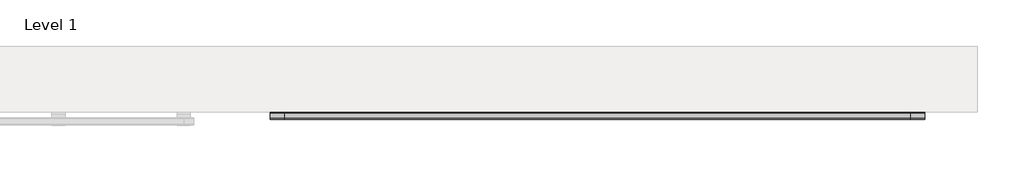
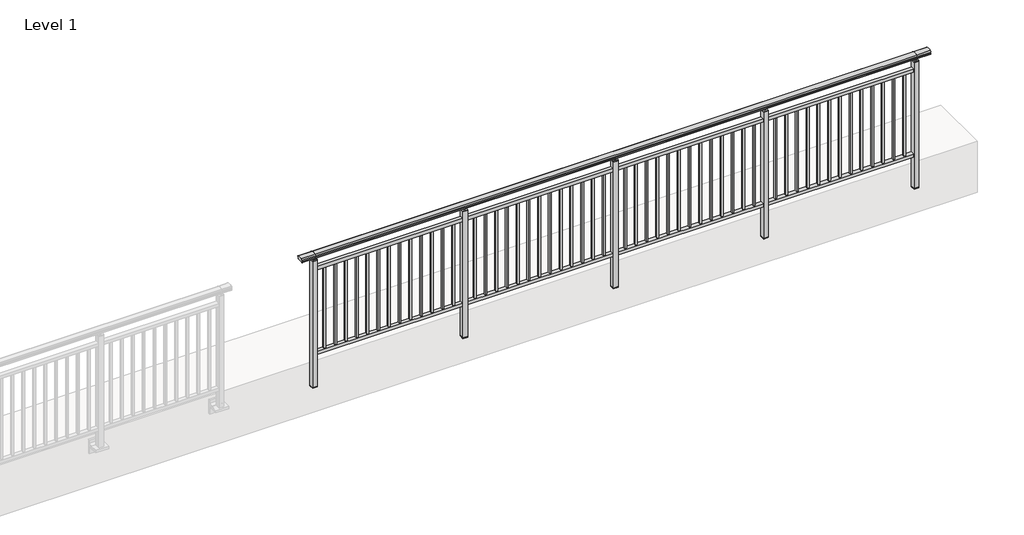
# One storey, part 3 of 64: 1 railing.
"""IFC4 building model written with IfcOpenShell, lengths in millimetres."""

from ifc_helpers import new_model, si_unit, frame, origin, place, context, project, spatial, polyline, circle_curve, outline, extrude, element, save
from ifc_brep_helpers import plane_surface, cylinder_surface, revolved_surface, advanced_brep

model = new_model("IFC4")

# Units and contexts
model_context = context("Model", 3, world=origin())
ifc_project = project(units=[si_unit("LENGTHUNIT", "METRE", prefix="MILLI")], contexts=[model_context])

# Site, building, storey
site = spatial("IfcSite", under=ifc_project)
building = spatial("IfcBuilding", under=site)
storey = spatial("IfcBuildingStorey", under=building, Name="Level 1", Elevation=0.0)

# Railing
placement = place(None, origin())
element("IfcRailing", 1, at=placement, inside=storey, context=model_context, shape_type="SolidModel", body=[
    advanced_brep(
    [(19372.5, -107.1366244, 1095.6691182), (19372.5, -102.3153172, 1081.1334092), (19372.5, -103.2586256, 1069.2539035), (19372.5, -101.3635823, 1061.4863007), (19372.5, -103.0105201, 1060.384124), (19372.5, -103.0105201, 1062.0), (19372.5, -161.6201142, 1062.0), (19372.5, -161.6201142, 1060.384124), (19372.5, -163.267052, 1061.4863007), (19372.5, -161.3720088, 1069.2539035), (19372.5, -162.3153172, 1081.1334092), (19372.5, -157.49401, 1095.6691182), (25227.5, -107.1366244, 1095.6691182), (25227.5, -157.49401, 1095.6691182), (25227.5, -162.3153172, 1081.1334092), (25227.5, -161.3720088, 1069.2539035), (25227.5, -163.267052, 1061.4863007), (25227.5, -161.6201142, 1060.384124), (25227.5, -161.6201142, 1062.0), (25227.5, -103.0105201, 1062.0), (25227.5, -103.0105201, 1060.384124), (25227.5, -101.3635823, 1061.4863007), (25227.5, -103.2586256, 1069.2539035), (25227.5, -102.3153172, 1081.1334092), (19500.0, -107.1366244, 1095.6691182), (19500.0, -102.3153172, 1081.1334092), (19500.0, -103.2586256, 1069.2539035), (19500.0, -101.3635823, 1061.4863007), (19500.0, -103.0105201, 1060.384124), (19500.0, -103.0105201, 1062.0), (19500.0, -161.6201142, 1062.0), (19500.0, -161.6201142, 1060.384124), (19500.0, -163.267052, 1061.4863007), (19500.0, -161.3720088, 1069.2539035), (19500.0, -162.3153172, 1081.1334092), (19500.0, -157.49401, 1095.6691182), (25100.0, -107.1366244, 1095.6691182), (25100.0, -102.3153172, 1081.1334092), (25100.0, -103.2586256, 1069.2539035), (25100.0, -101.3635823, 1061.4863007), (25100.0, -103.0105201, 1060.384124), (25100.0, -103.0105201, 1062.0), (25100.0, -161.6201142, 1062.0), (25100.0, -161.6201142, 1060.384124), (25100.0, -163.267052, 1061.4863007), (25100.0, -161.3720088, 1069.2539035), (25100.0, -162.3153172, 1081.1334092), (25100.0, -157.49401, 1095.6691182)],
    [
        (0, 1, circle_curve(frame((19372.5, -110.3776155, 1086.526686), z_axis=(-1.0, 0.0, 0.0), x_axis=(0.0, -1.0, 0.0)), 9.6999015)),
        (1, 2, circle_curve(frame((19372.5, -84.7747455, 1073.7633709), z_axis=(1.0, 0.0, 0.0), x_axis=(0.0, -1.0, 0.0)), 19.0260117)),
        (2, 3),
        (3, 4, circle_curve(frame((19372.5, -102.2227927, 1060.9886194), z_axis=(-1.0, 0.0, 0.0), x_axis=(0.0, -1.0, 0.0)), 0.9929396)),
        (4, 5),
        (5, 6),
        (6, 7),
        (7, 8, circle_curve(frame((19372.5, -162.4078416, 1060.9886194), z_axis=(-1.0, 0.0, 0.0), x_axis=(0.0, 1.0, 0.0)), 0.9929396)),
        (8, 9),
        (9, 10, circle_curve(frame((19372.5, -179.8558889, 1073.7633709), z_axis=(1.0, 0.0, 0.0), x_axis=(0.0, 1.0, 0.0)), 19.0260117)),
        (10, 11, circle_curve(frame((19372.5, -154.2530188, 1086.526686), z_axis=(-1.0, 0.0, 0.0), x_axis=(0.0, 1.0, 0.0)), 9.6999015)),
        (11, 0, circle_curve(frame((19372.5, -132.3153172, 1024.6431628), z_axis=(-1.0, 0.0, 0.0), x_axis=(0.0, 1.0, 0.0)), 75.3568372)),
        (12, 13, circle_curve(frame((25227.5, -132.3153172, 1024.6431628), z_axis=(1.0, 0.0, 0.0), x_axis=(0.0, 1.0, 0.0)), 75.3568372)),
        (13, 14, circle_curve(frame((25227.5, -154.2530188, 1086.526686), z_axis=(1.0, 0.0, 0.0), x_axis=(0.0, 1.0, 0.0)), 9.6999015)),
        (14, 15, circle_curve(frame((25227.5, -179.8558889, 1073.7633709), z_axis=(-1.0, 0.0, 0.0), x_axis=(0.0, 1.0, 0.0)), 19.0260117)),
        (15, 16),
        (16, 17, circle_curve(frame((25227.5, -162.4078416, 1060.9886194), z_axis=(1.0, 0.0, 0.0), x_axis=(0.0, 1.0, 0.0)), 0.9929396)),
        (17, 18),
        (18, 19),
        (19, 20),
        (20, 21, circle_curve(frame((25227.5, -102.2227927, 1060.9886194), z_axis=(1.0, 0.0, 0.0), x_axis=(0.0, -1.0, 0.0)), 0.9929396)),
        (21, 22),
        (22, 23, circle_curve(frame((25227.5, -84.7747455, 1073.7633709), z_axis=(-1.0, 0.0, 0.0), x_axis=(0.0, -1.0, 0.0)), 19.0260117)),
        (23, 12, circle_curve(frame((25227.5, -110.3776155, 1086.526686), z_axis=(1.0, 0.0, 0.0), x_axis=(0.0, -1.0, 0.0)), 9.6999015)),
        (0, 24),
        (24, 25, circle_curve(frame((19500.0, -110.3776155, 1086.526686), z_axis=(-1.0, 0.0, 0.0), x_axis=(0.0, -1.0, 0.0)), 9.6999015)),
        (25, 1),
        (25, 26, circle_curve(frame((19500.0, -84.7747455, 1073.7633709), z_axis=(1.0, 0.0, 0.0), x_axis=(0.0, -1.0, 0.0)), 19.0260117)),
        (26, 2),
        (26, 27),
        (27, 3),
        (27, 28, circle_curve(frame((19500.0, -102.2227927, 1060.9886194), z_axis=(-1.0, 0.0, 0.0), x_axis=(0.0, -1.0, 0.0)), 0.9929396)),
        (28, 4),
        (28, 29),
        (29, 5),
        (29, 30),
        (30, 6),
        (30, 31),
        (31, 7),
        (31, 32, circle_curve(frame((19500.0, -162.4078416, 1060.9886194), z_axis=(-1.0, 0.0, 0.0), x_axis=(0.0, 1.0, 0.0)), 0.9929396)),
        (32, 8),
        (32, 33),
        (33, 9),
        (33, 34, circle_curve(frame((19500.0, -179.8558889, 1073.7633709), z_axis=(1.0, 0.0, 0.0), x_axis=(0.0, 1.0, 0.0)), 19.0260117)),
        (34, 10),
        (34, 35, circle_curve(frame((19500.0, -154.2530188, 1086.526686), z_axis=(-1.0, 0.0, 0.0), x_axis=(0.0, 1.0, 0.0)), 9.6999015)),
        (35, 11),
        (35, 24, circle_curve(frame((19500.0, -132.3153172, 1024.6431628), z_axis=(-1.0, 0.0, 0.0), x_axis=(0.0, 1.0, 0.0)), 75.3568372)),
        (24, 36),
        (36, 37, circle_curve(frame((25100.0, -110.3776155, 1086.526686), z_axis=(-1.0, 0.0, 0.0), x_axis=(0.0, -1.0, 0.0)), 9.6999015)),
        (37, 25),
        (37, 38, circle_curve(frame((25100.0, -84.7747455, 1073.7633709), z_axis=(1.0, 0.0, 0.0), x_axis=(0.0, -1.0, 0.0)), 19.0260117)),
        (38, 26),
        (38, 39),
        (39, 27),
        (39, 40, circle_curve(frame((25100.0, -102.2227927, 1060.9886194), z_axis=(-1.0, 0.0, 0.0), x_axis=(0.0, -1.0, 0.0)), 0.9929396)),
        (40, 28),
        (40, 41),
        (41, 29),
        (41, 42),
        (42, 30),
        (42, 43),
        (43, 31),
        (43, 44, circle_curve(frame((25100.0, -162.4078416, 1060.9886194), z_axis=(-1.0, 0.0, 0.0), x_axis=(0.0, 1.0, 0.0)), 0.9929396)),
        (44, 32),
        (44, 45),
        (45, 33),
        (45, 46, circle_curve(frame((25100.0, -179.8558889, 1073.7633709), z_axis=(1.0, 0.0, 0.0), x_axis=(0.0, 1.0, 0.0)), 19.0260117)),
        (46, 34),
        (46, 47, circle_curve(frame((25100.0, -154.2530188, 1086.526686), z_axis=(-1.0, 0.0, 0.0), x_axis=(0.0, 1.0, 0.0)), 9.6999015)),
        (47, 35),
        (47, 36, circle_curve(frame((25100.0, -132.3153172, 1024.6431628), z_axis=(-1.0, 0.0, 0.0), x_axis=(0.0, 1.0, 0.0)), 75.3568372)),
        (36, 12),
        (23, 37),
        (22, 38),
        (21, 39),
        (20, 40),
        (19, 41),
        (18, 42),
        (17, 43),
        (16, 44),
        (15, 45),
        (14, 46),
        (13, 47),
    ],
    [
        plane_surface(frame((19372.5, -132.3153172, 1100.0), z_axis=(-1.0, 0.0, 0.0), x_axis=(0.0, 1.0, 0.0))),
        plane_surface(frame((25227.5, -132.3153172, 1100.0), z_axis=(1.0, 0.0, 0.0), x_axis=(0.0, 1.0, 0.0))),
        cylinder_surface(frame((19372.5, -110.3776155, 1086.526686), z_axis=(-1.0, 0.0, 0.0), x_axis=(0.0, -1.0, 0.0)), 9.6999015),
        revolved_surface(polyline([(19500.0, -103.80075719999999, 1073.7633709), (19372.5, -103.80075719999999, 1073.7633709)]), (19372.5, -84.7747455, 1073.7633709), (1.0, 0.0, 0.0)),
        plane_surface(frame((19372.5, -103.2586256, 1069.2539035), z_axis=(0.0, 0.9715057689301543, 0.2370159086125439), x_axis=(1.0, 0.0, 0.0))),
        cylinder_surface(frame((19372.5, -102.2227927, 1060.9886194), z_axis=(-1.0, 0.0, 0.0), x_axis=(0.0, -1.0, 0.0)), 0.9929396),
        plane_surface(frame((19372.5, -103.0105201, 1060.384124), z_axis=(0.0, -1.0, 0.0), x_axis=(1.0, 0.0, 0.0))),
        plane_surface(frame((19372.5, -103.0105201, 1062.0), z_axis=(0.0, 0.0, -1.0), x_axis=(1.0, 0.0, 0.0))),
        plane_surface(frame((19372.5, -161.6201142, 1062.0), z_axis=(0.0, 1.0, 0.0), x_axis=(1.0, 0.0, 0.0))),
        cylinder_surface(frame((19372.5, -162.4078416, 1060.9886194), z_axis=(-1.0, 0.0, 0.0), x_axis=(0.0, 1.0, 0.0)), 0.9929396),
        plane_surface(frame((19372.5, -163.267052, 1061.4863007), z_axis=(0.0, -0.9715057689301543, 0.2370159086125439), x_axis=(1.0, 0.0, 0.0))),
        revolved_surface(polyline([(19500.0, -160.8298772, 1073.7633709), (19372.5, -160.8298772, 1073.7633709)]), (19372.5, -179.8558889, 1073.7633709), (1.0, 0.0, 0.0)),
        cylinder_surface(frame((19372.5, -154.2530188, 1086.526686), z_axis=(-1.0, 0.0, 0.0), x_axis=(0.0, 1.0, 0.0)), 9.6999015),
        cylinder_surface(frame((19372.5, -132.3153172, 1024.6431628), z_axis=(-1.0, 0.0, 0.0), x_axis=(0.0, 1.0, 0.0)), 75.3568372),
        cylinder_surface(frame((19500.0, -110.3776155, 1086.526686), z_axis=(-1.0, 0.0, 0.0), x_axis=(0.0, -1.0, 0.0)), 9.6999015),
        revolved_surface(polyline([(25100.0, -103.80075719999999, 1073.7633709), (19500.0, -103.80075719999999, 1073.7633709)]), (19500.0, -84.7747455, 1073.7633709), (1.0, 0.0, 0.0)),
        plane_surface(frame((19500.0, -103.2586256, 1069.2539035), z_axis=(0.0, 0.9715057689301543, 0.2370159086125439), x_axis=(1.0, 0.0, 0.0))),
        cylinder_surface(frame((19500.0, -102.2227927, 1060.9886194), z_axis=(-1.0, 0.0, 0.0), x_axis=(0.0, -1.0, 0.0)), 0.9929396),
        plane_surface(frame((19500.0, -103.0105201, 1060.384124), z_axis=(0.0, -1.0, 0.0), x_axis=(1.0, 0.0, 0.0))),
        plane_surface(frame((19500.0, -103.0105201, 1062.0), z_axis=(0.0, 0.0, -1.0), x_axis=(1.0, 0.0, 0.0))),
        plane_surface(frame((19500.0, -161.6201142, 1062.0), z_axis=(0.0, 1.0, 0.0), x_axis=(1.0, 0.0, 0.0))),
        cylinder_surface(frame((19500.0, -162.4078416, 1060.9886194), z_axis=(-1.0, 0.0, 0.0), x_axis=(0.0, 1.0, 0.0)), 0.9929396),
        plane_surface(frame((19500.0, -163.267052, 1061.4863007), z_axis=(0.0, -0.9715057689301543, 0.2370159086125439), x_axis=(1.0, 0.0, 0.0))),
        revolved_surface(polyline([(25100.0, -160.8298772, 1073.7633709), (19500.0, -160.8298772, 1073.7633709)]), (19500.0, -179.8558889, 1073.7633709), (1.0, 0.0, 0.0)),
        cylinder_surface(frame((19500.0, -154.2530188, 1086.526686), z_axis=(-1.0, 0.0, 0.0), x_axis=(0.0, 1.0, 0.0)), 9.6999015),
        cylinder_surface(frame((19500.0, -132.3153172, 1024.6431628), z_axis=(-1.0, 0.0, 0.0), x_axis=(0.0, 1.0, 0.0)), 75.3568372),
        cylinder_surface(frame((25100.0, -110.3776155, 1086.526686), z_axis=(-1.0, 0.0, 0.0), x_axis=(0.0, -1.0, 0.0)), 9.6999015),
        revolved_surface(polyline([(25227.5, -103.80075719999999, 1073.7633709), (25100.0, -103.80075719999999, 1073.7633709)]), (25100.0, -84.7747455, 1073.7633709), (1.0, 0.0, 0.0)),
        plane_surface(frame((25100.0, -103.2586256, 1069.2539035), z_axis=(0.0, 0.9715057689301543, 0.2370159086125439), x_axis=(1.0, 0.0, 0.0))),
        cylinder_surface(frame((25100.0, -102.2227927, 1060.9886194), z_axis=(-1.0, 0.0, 0.0), x_axis=(0.0, -1.0, 0.0)), 0.9929396),
        plane_surface(frame((25100.0, -103.0105201, 1060.384124), z_axis=(0.0, -1.0, 0.0), x_axis=(1.0, 0.0, 0.0))),
        plane_surface(frame((25100.0, -103.0105201, 1062.0), z_axis=(0.0, 0.0, -1.0), x_axis=(1.0, 0.0, 0.0))),
        plane_surface(frame((25100.0, -161.6201142, 1062.0), z_axis=(0.0, 1.0, 0.0), x_axis=(1.0, 0.0, 0.0))),
        cylinder_surface(frame((25100.0, -162.4078416, 1060.9886194), z_axis=(-1.0, 0.0, 0.0), x_axis=(0.0, 1.0, 0.0)), 0.9929396),
        plane_surface(frame((25100.0, -163.267052, 1061.4863007), z_axis=(0.0, -0.9715057689301543, 0.2370159086125439), x_axis=(1.0, 0.0, 0.0))),
        revolved_surface(polyline([(25227.5, -160.8298772, 1073.7633709), (25100.0, -160.8298772, 1073.7633709)]), (25100.0, -179.8558889, 1073.7633709), (1.0, 0.0, 0.0)),
        cylinder_surface(frame((25100.0, -154.2530188, 1086.526686), z_axis=(-1.0, 0.0, 0.0), x_axis=(0.0, 1.0, 0.0)), 9.6999015),
        cylinder_surface(frame((25100.0, -132.3153172, 1024.6431628), z_axis=(-1.0, 0.0, 0.0), x_axis=(0.0, 1.0, 0.0)), 75.3568372),
    ],
    [
        (0, [[1, 2, 3, 4, 5, 6, 7, 8, 9, 10, 11, 12]]),
        (1, [[13, 14, 15, 16, 17, 18, 19, 20, 21, 22, 23, 24]]),
        (2, [[-1, 25, 26, 27]]),
        (3, [[-2, -27, 28, 29]]),
        (4, [[-3, -29, 30, 31]]),
        (5, [[-4, -31, 32, 33]]),
        (6, [[-5, -33, 34, 35]]),
        (7, [[-6, -35, 36, 37]]),
        (8, [[-7, -37, 38, 39]]),
        (9, [[-8, -39, 40, 41]]),
        (10, [[-9, -41, 42, 43]]),
        (11, [[-10, -43, 44, 45]]),
        (12, [[-11, -45, 46, 47]]),
        (13, [[-12, -47, 48, -25]]),
        (14, [[-26, 49, 50, 51]]),
        (15, [[-28, -51, 52, 53]]),
        (16, [[-30, -53, 54, 55]]),
        (17, [[-32, -55, 56, 57]]),
        (18, [[-34, -57, 58, 59]]),
        (19, [[-36, -59, 60, 61]]),
        (20, [[-38, -61, 62, 63]]),
        (21, [[-40, -63, 64, 65]]),
        (22, [[-42, -65, 66, 67]]),
        (23, [[-44, -67, 68, 69]]),
        (24, [[-46, -69, 70, 71]]),
        (25, [[-48, -71, 72, -49]]),
        (26, [[-50, 73, -24, 74]]),
        (27, [[-52, -74, -23, 75]]),
        (28, [[-54, -75, -22, 76]]),
        (29, [[-56, -76, -21, 77]]),
        (30, [[-58, -77, -20, 78]]),
        (31, [[-60, -78, -19, 79]]),
        (32, [[-62, -79, -18, 80]]),
        (33, [[-64, -80, -17, 81]]),
        (34, [[-66, -81, -16, 82]]),
        (35, [[-68, -82, -15, 83]]),
        (36, [[-70, -83, -14, 84]]),
        (37, [[-72, -84, -13, -73]]),
    ],
),
    extrude(outline(polyline([(19500.0, -149.8153172), (19500.0, -114.8153172), (25100.0, -114.8153172), (25100.0, -149.8153172), (19500.0, -149.8153172)])), frame((0.0, 0.0, 930.0), z_axis=(0.0, 0.0, 1.0), x_axis=(1.0, 0.0, 0.0)), (0.0, 0.0, 1.0), 30.0),
    extrude(outline(polyline([(19500.0, -149.8153172), (19500.0, -114.8153172), (25100.0, -114.8153172), (25100.0, -149.8153172), (19500.0, -149.8153172)])), frame((0.0, 0.0, 95.0), z_axis=(0.0, 0.0, 1.0), x_axis=(1.0, 0.0, 0.0)), (0.0, 0.0, 1.0), 30.0),
    extrude(outline(polyline([(25008.5, -140.8153172), (24991.5, -140.8153172), (24991.5, -123.8153172), (25008.5, -123.8153172), (25008.5, -140.8153172)])), frame((0.0, 0.0, 125.0), z_axis=(0.0, 0.0, 1.0), x_axis=(1.0, 0.0, 0.0)), (0.0, 0.0, 1.0), 805.0),
    extrude(outline(polyline([(24908.5, -140.8153172), (24891.5, -140.8153172), (24891.5, -123.8153172), (24908.5, -123.8153172), (24908.5, -140.8153172)])), frame((0.0, 0.0, 125.0), z_axis=(0.0, 0.0, 1.0), x_axis=(1.0, 0.0, 0.0)), (0.0, 0.0, 1.0), 805.0),
    extrude(outline(polyline([(24808.5, -140.8153172), (24791.5, -140.8153172), (24791.5, -123.8153172), (24808.5, -123.8153172), (24808.5, -140.8153172)])), frame((0.0, 0.0, 125.0), z_axis=(0.0, 0.0, 1.0), x_axis=(1.0, 0.0, 0.0)), (0.0, 0.0, 1.0), 805.0),
    extrude(outline(polyline([(24708.5, -140.8153172), (24691.5, -140.8153172), (24691.5, -123.8153172), (24708.5, -123.8153172), (24708.5, -140.8153172)])), frame((0.0, 0.0, 125.0), z_axis=(0.0, 0.0, 1.0), x_axis=(1.0, 0.0, 0.0)), (0.0, 0.0, 1.0), 805.0),
    extrude(outline(polyline([(24608.5, -140.8153172), (24591.5, -140.8153172), (24591.5, -123.8153172), (24608.5, -123.8153172), (24608.5, -140.8153172)])), frame((0.0, 0.0, 125.0), z_axis=(0.0, 0.0, 1.0), x_axis=(1.0, 0.0, 0.0)), (0.0, 0.0, 1.0), 805.0),
    extrude(outline(polyline([(24508.5, -140.8153172), (24491.5, -140.8153172), (24491.5, -123.8153172), (24508.5, -123.8153172), (24508.5, -140.8153172)])), frame((0.0, 0.0, 125.0), z_axis=(0.0, 0.0, 1.0), x_axis=(1.0, 0.0, 0.0)), (0.0, 0.0, 1.0), 805.0),
    extrude(outline(polyline([(24408.5, -140.8153172), (24391.5, -140.8153172), (24391.5, -123.8153172), (24408.5, -123.8153172), (24408.5, -140.8153172)])), frame((0.0, 0.0, 125.0), z_axis=(0.0, 0.0, 1.0), x_axis=(1.0, 0.0, 0.0)), (0.0, 0.0, 1.0), 805.0),
    extrude(outline(polyline([(24308.5, -140.8153172), (24291.5, -140.8153172), (24291.5, -123.8153172), (24308.5, -123.8153172), (24308.5, -140.8153172)])), frame((0.0, 0.0, 125.0), z_axis=(0.0, 0.0, 1.0), x_axis=(1.0, 0.0, 0.0)), (0.0, 0.0, 1.0), 805.0),
    extrude(outline(polyline([(24208.5, -140.8153172), (24191.5, -140.8153172), (24191.5, -123.8153172), (24208.5, -123.8153172), (24208.5, -140.8153172)])), frame((0.0, 0.0, 125.0), z_axis=(0.0, 0.0, 1.0), x_axis=(1.0, 0.0, 0.0)), (0.0, 0.0, 1.0), 805.0),
    extrude(outline(polyline([(24108.5, -140.8153172), (24091.5, -140.8153172), (24091.5, -123.8153172), (24108.5, -123.8153172), (24108.5, -140.8153172)])), frame((0.0, 0.0, 125.0), z_axis=(0.0, 0.0, 1.0), x_axis=(1.0, 0.0, 0.0)), (0.0, 0.0, 1.0), 805.0),
    extrude(outline(polyline([(24008.5, -140.8153172), (23991.5, -140.8153172), (23991.5, -123.8153172), (24008.5, -123.8153172), (24008.5, -140.8153172)])), frame((0.0, 0.0, 125.0), z_axis=(0.0, 0.0, 1.0), x_axis=(1.0, 0.0, 0.0)), (0.0, 0.0, 1.0), 805.0),
    extrude(outline(polyline([(23908.5, -140.8153172), (23891.5, -140.8153172), (23891.5, -123.8153172), (23908.5, -123.8153172), (23908.5, -140.8153172)])), frame((0.0, 0.0, 125.0), z_axis=(0.0, 0.0, 1.0), x_axis=(1.0, 0.0, 0.0)), (0.0, 0.0, 1.0), 805.0),
    extrude(outline(polyline([(23808.5, -140.8153172), (23791.5, -140.8153172), (23791.5, -123.8153172), (23808.5, -123.8153172), (23808.5, -140.8153172)])), frame((0.0, 0.0, 125.0), z_axis=(0.0, 0.0, 1.0), x_axis=(1.0, 0.0, 0.0)), (0.0, 0.0, 1.0), 805.0),
    extrude(outline(polyline([(23722.5, -109.8153172), (23722.5, -154.8153172), (23677.5, -154.8153172), (23677.5, -109.8153172), (23722.5, -109.8153172)])), frame((0.0, 0.0, 1027.0), z_axis=(0.0, 0.0, 1.0), x_axis=(1.0, 0.0, 0.0)), (0.0, 0.0, 1.0), 8.0),
    extrude(outline(polyline([(23722.5, -109.8153172), (23722.5, -154.8153172), (23677.5, -154.8153172), (23677.5, -109.8153172), (23722.5, -109.8153172)])), frame((0.0, 0.0, -212.0), z_axis=(0.0, 0.0, 1.0), x_axis=(1.0, 0.0, 0.0)), (0.0, 0.0, 1.0), 1239.0),
    extrude(outline(polyline([(23710.0, -122.3153172), (23710.0, -142.3153172), (23690.0, -142.3153172), (23690.0, -122.3153172), (23710.0, -122.3153172)])), frame((0.0, 0.0, 1035.0), z_axis=(0.0, 0.0, 1.0), x_axis=(1.0, 0.0, 0.0)), (0.0, 0.0, 1.0), 20.0),
    extrude(outline(polyline([(23722.5, -109.8153172), (23722.5, -154.8153172), (23677.5, -154.8153172), (23677.5, -109.8153172), (23722.5, -109.8153172)])), frame((0.0, 0.0, -220.0), z_axis=(0.0, 0.0, 1.0), x_axis=(1.0, 0.0, 0.0)), (0.0, 0.0, 1.0), 8.0),
    extrude(outline(polyline([(23608.5, -140.8153172), (23591.5, -140.8153172), (23591.5, -123.8153172), (23608.5, -123.8153172), (23608.5, -140.8153172)])), frame((0.0, 0.0, 125.0), z_axis=(0.0, 0.0, 1.0), x_axis=(1.0, 0.0, 0.0)), (0.0, 0.0, 1.0), 805.0),
    extrude(outline(polyline([(23508.5, -140.8153172), (23491.5, -140.8153172), (23491.5, -123.8153172), (23508.5, -123.8153172), (23508.5, -140.8153172)])), frame((0.0, 0.0, 125.0), z_axis=(0.0, 0.0, 1.0), x_axis=(1.0, 0.0, 0.0)), (0.0, 0.0, 1.0), 805.0),
    extrude(outline(polyline([(23408.5, -140.8153172), (23391.5, -140.8153172), (23391.5, -123.8153172), (23408.5, -123.8153172), (23408.5, -140.8153172)])), frame((0.0, 0.0, 125.0), z_axis=(0.0, 0.0, 1.0), x_axis=(1.0, 0.0, 0.0)), (0.0, 0.0, 1.0), 805.0),
    extrude(outline(polyline([(23308.5, -140.8153172), (23291.5, -140.8153172), (23291.5, -123.8153172), (23308.5, -123.8153172), (23308.5, -140.8153172)])), frame((0.0, 0.0, 125.0), z_axis=(0.0, 0.0, 1.0), x_axis=(1.0, 0.0, 0.0)), (0.0, 0.0, 1.0), 805.0),
    extrude(outline(polyline([(23208.5, -140.8153172), (23191.5, -140.8153172), (23191.5, -123.8153172), (23208.5, -123.8153172), (23208.5, -140.8153172)])), frame((0.0, 0.0, 125.0), z_axis=(0.0, 0.0, 1.0), x_axis=(1.0, 0.0, 0.0)), (0.0, 0.0, 1.0), 805.0),
    extrude(outline(polyline([(23108.5, -140.8153172), (23091.5, -140.8153172), (23091.5, -123.8153172), (23108.5, -123.8153172), (23108.5, -140.8153172)])), frame((0.0, 0.0, 125.0), z_axis=(0.0, 0.0, 1.0), x_axis=(1.0, 0.0, 0.0)), (0.0, 0.0, 1.0), 805.0),
    extrude(outline(polyline([(23008.5, -140.8153172), (22991.5, -140.8153172), (22991.5, -123.8153172), (23008.5, -123.8153172), (23008.5, -140.8153172)])), frame((0.0, 0.0, 125.0), z_axis=(0.0, 0.0, 1.0), x_axis=(1.0, 0.0, 0.0)), (0.0, 0.0, 1.0), 805.0),
    extrude(outline(polyline([(22908.5, -140.8153172), (22891.5, -140.8153172), (22891.5, -123.8153172), (22908.5, -123.8153172), (22908.5, -140.8153172)])), frame((0.0, 0.0, 125.0), z_axis=(0.0, 0.0, 1.0), x_axis=(1.0, 0.0, 0.0)), (0.0, 0.0, 1.0), 805.0),
    extrude(outline(polyline([(22808.5, -140.8153172), (22791.5, -140.8153172), (22791.5, -123.8153172), (22808.5, -123.8153172), (22808.5, -140.8153172)])), frame((0.0, 0.0, 125.0), z_axis=(0.0, 0.0, 1.0), x_axis=(1.0, 0.0, 0.0)), (0.0, 0.0, 1.0), 805.0),
    extrude(outline(polyline([(22708.5, -140.8153172), (22691.5, -140.8153172), (22691.5, -123.8153172), (22708.5, -123.8153172), (22708.5, -140.8153172)])), frame((0.0, 0.0, 125.0), z_axis=(0.0, 0.0, 1.0), x_axis=(1.0, 0.0, 0.0)), (0.0, 0.0, 1.0), 805.0),
    extrude(outline(polyline([(22608.5, -140.8153172), (22591.5, -140.8153172), (22591.5, -123.8153172), (22608.5, -123.8153172), (22608.5, -140.8153172)])), frame((0.0, 0.0, 125.0), z_axis=(0.0, 0.0, 1.0), x_axis=(1.0, 0.0, 0.0)), (0.0, 0.0, 1.0), 805.0),
    extrude(outline(polyline([(22508.5, -140.8153172), (22491.5, -140.8153172), (22491.5, -123.8153172), (22508.5, -123.8153172), (22508.5, -140.8153172)])), frame((0.0, 0.0, 125.0), z_axis=(0.0, 0.0, 1.0), x_axis=(1.0, 0.0, 0.0)), (0.0, 0.0, 1.0), 805.0),
    extrude(outline(polyline([(22408.5, -140.8153172), (22391.5, -140.8153172), (22391.5, -123.8153172), (22408.5, -123.8153172), (22408.5, -140.8153172)])), frame((0.0, 0.0, 125.0), z_axis=(0.0, 0.0, 1.0), x_axis=(1.0, 0.0, 0.0)), (0.0, 0.0, 1.0), 805.0),
    extrude(outline(polyline([(22322.5, -109.8153172), (22322.5, -154.8153172), (22277.5, -154.8153172), (22277.5, -109.8153172), (22322.5, -109.8153172)])), frame((0.0, 0.0, 1027.0), z_axis=(0.0, 0.0, 1.0), x_axis=(1.0, 0.0, 0.0)), (0.0, 0.0, 1.0), 8.0),
    extrude(outline(polyline([(22322.5, -109.8153172), (22322.5, -154.8153172), (22277.5, -154.8153172), (22277.5, -109.8153172), (22322.5, -109.8153172)])), frame((0.0, 0.0, -212.0), z_axis=(0.0, 0.0, 1.0), x_axis=(1.0, 0.0, 0.0)), (0.0, 0.0, 1.0), 1239.0),
    extrude(outline(polyline([(22310.0, -122.3153172), (22310.0, -142.3153172), (22290.0, -142.3153172), (22290.0, -122.3153172), (22310.0, -122.3153172)])), frame((0.0, 0.0, 1035.0), z_axis=(0.0, 0.0, 1.0), x_axis=(1.0, 0.0, 0.0)), (0.0, 0.0, 1.0), 20.0),
    extrude(outline(polyline([(22322.5, -109.8153172), (22322.5, -154.8153172), (22277.5, -154.8153172), (22277.5, -109.8153172), (22322.5, -109.8153172)])), frame((0.0, 0.0, -220.0), z_axis=(0.0, 0.0, 1.0), x_axis=(1.0, 0.0, 0.0)), (0.0, 0.0, 1.0), 8.0),
    extrude(outline(polyline([(22208.5, -140.8153172), (22191.5, -140.8153172), (22191.5, -123.8153172), (22208.5, -123.8153172), (22208.5, -140.8153172)])), frame((0.0, 0.0, 125.0), z_axis=(0.0, 0.0, 1.0), x_axis=(1.0, 0.0, 0.0)), (0.0, 0.0, 1.0), 805.0),
    extrude(outline(polyline([(22108.5, -140.8153172), (22091.5, -140.8153172), (22091.5, -123.8153172), (22108.5, -123.8153172), (22108.5, -140.8153172)])), frame((0.0, 0.0, 125.0), z_axis=(0.0, 0.0, 1.0), x_axis=(1.0, 0.0, 0.0)), (0.0, 0.0, 1.0), 805.0),
    extrude(outline(polyline([(22008.5, -140.8153172), (21991.5, -140.8153172), (21991.5, -123.8153172), (22008.5, -123.8153172), (22008.5, -140.8153172)])), frame((0.0, 0.0, 125.0), z_axis=(0.0, 0.0, 1.0), x_axis=(1.0, 0.0, 0.0)), (0.0, 0.0, 1.0), 805.0),
    extrude(outline(polyline([(21908.5, -140.8153172), (21891.5, -140.8153172), (21891.5, -123.8153172), (21908.5, -123.8153172), (21908.5, -140.8153172)])), frame((0.0, 0.0, 125.0), z_axis=(0.0, 0.0, 1.0), x_axis=(1.0, 0.0, 0.0)), (0.0, 0.0, 1.0), 805.0),
    extrude(outline(polyline([(21808.5, -140.8153172), (21791.5, -140.8153172), (21791.5, -123.8153172), (21808.5, -123.8153172), (21808.5, -140.8153172)])), frame((0.0, 0.0, 125.0), z_axis=(0.0, 0.0, 1.0), x_axis=(1.0, 0.0, 0.0)), (0.0, 0.0, 1.0), 805.0),
    extrude(outline(polyline([(21708.5, -140.8153172), (21691.5, -140.8153172), (21691.5, -123.8153172), (21708.5, -123.8153172), (21708.5, -140.8153172)])), frame((0.0, 0.0, 125.0), z_axis=(0.0, 0.0, 1.0), x_axis=(1.0, 0.0, 0.0)), (0.0, 0.0, 1.0), 805.0),
    extrude(outline(polyline([(21608.5, -140.8153172), (21591.5, -140.8153172), (21591.5, -123.8153172), (21608.5, -123.8153172), (21608.5, -140.8153172)])), frame((0.0, 0.0, 125.0), z_axis=(0.0, 0.0, 1.0), x_axis=(1.0, 0.0, 0.0)), (0.0, 0.0, 1.0), 805.0),
    extrude(outline(polyline([(21508.5, -140.8153172), (21491.5, -140.8153172), (21491.5, -123.8153172), (21508.5, -123.8153172), (21508.5, -140.8153172)])), frame((0.0, 0.0, 125.0), z_axis=(0.0, 0.0, 1.0), x_axis=(1.0, 0.0, 0.0)), (0.0, 0.0, 1.0), 805.0),
    extrude(outline(polyline([(21408.5, -140.8153172), (21391.5, -140.8153172), (21391.5, -123.8153172), (21408.5, -123.8153172), (21408.5, -140.8153172)])), frame((0.0, 0.0, 125.0), z_axis=(0.0, 0.0, 1.0), x_axis=(1.0, 0.0, 0.0)), (0.0, 0.0, 1.0), 805.0),
    extrude(outline(polyline([(21308.5, -140.8153172), (21291.5, -140.8153172), (21291.5, -123.8153172), (21308.5, -123.8153172), (21308.5, -140.8153172)])), frame((0.0, 0.0, 125.0), z_axis=(0.0, 0.0, 1.0), x_axis=(1.0, 0.0, 0.0)), (0.0, 0.0, 1.0), 805.0),
    extrude(outline(polyline([(21208.5, -140.8153172), (21191.5, -140.8153172), (21191.5, -123.8153172), (21208.5, -123.8153172), (21208.5, -140.8153172)])), frame((0.0, 0.0, 125.0), z_axis=(0.0, 0.0, 1.0), x_axis=(1.0, 0.0, 0.0)), (0.0, 0.0, 1.0), 805.0),
    extrude(outline(polyline([(21108.5, -140.8153172), (21091.5, -140.8153172), (21091.5, -123.8153172), (21108.5, -123.8153172), (21108.5, -140.8153172)])), frame((0.0, 0.0, 125.0), z_axis=(0.0, 0.0, 1.0), x_axis=(1.0, 0.0, 0.0)), (0.0, 0.0, 1.0), 805.0),
    extrude(outline(polyline([(21008.5, -140.8153172), (20991.5, -140.8153172), (20991.5, -123.8153172), (21008.5, -123.8153172), (21008.5, -140.8153172)])), frame((0.0, 0.0, 125.0), z_axis=(0.0, 0.0, 1.0), x_axis=(1.0, 0.0, 0.0)), (0.0, 0.0, 1.0), 805.0),
    extrude(outline(polyline([(20922.5, -109.8153172), (20922.5, -154.8153172), (20877.5, -154.8153172), (20877.5, -109.8153172), (20922.5, -109.8153172)])), frame((0.0, 0.0, 1027.0), z_axis=(0.0, 0.0, 1.0), x_axis=(1.0, 0.0, 0.0)), (0.0, 0.0, 1.0), 8.0),
    extrude(outline(polyline([(20922.5, -109.8153172), (20922.5, -154.8153172), (20877.5, -154.8153172), (20877.5, -109.8153172), (20922.5, -109.8153172)])), frame((0.0, 0.0, -212.0), z_axis=(0.0, 0.0, 1.0), x_axis=(1.0, 0.0, 0.0)), (0.0, 0.0, 1.0), 1239.0),
    extrude(outline(polyline([(20910.0, -122.3153172), (20910.0, -142.3153172), (20890.0, -142.3153172), (20890.0, -122.3153172), (20910.0, -122.3153172)])), frame((0.0, 0.0, 1035.0), z_axis=(0.0, 0.0, 1.0), x_axis=(1.0, 0.0, 0.0)), (0.0, 0.0, 1.0), 20.0),
    extrude(outline(polyline([(20922.5, -109.8153172), (20922.5, -154.8153172), (20877.5, -154.8153172), (20877.5, -109.8153172), (20922.5, -109.8153172)])), frame((0.0, 0.0, -220.0), z_axis=(0.0, 0.0, 1.0), x_axis=(1.0, 0.0, 0.0)), (0.0, 0.0, 1.0), 8.0),
    extrude(outline(polyline([(20808.5, -140.8153172), (20791.5, -140.8153172), (20791.5, -123.8153172), (20808.5, -123.8153172), (20808.5, -140.8153172)])), frame((0.0, 0.0, 125.0), z_axis=(0.0, 0.0, 1.0), x_axis=(1.0, 0.0, 0.0)), (0.0, 0.0, 1.0), 805.0),
    extrude(outline(polyline([(20708.5, -140.8153172), (20691.5, -140.8153172), (20691.5, -123.8153172), (20708.5, -123.8153172), (20708.5, -140.8153172)])), frame((0.0, 0.0, 125.0), z_axis=(0.0, 0.0, 1.0), x_axis=(1.0, 0.0, 0.0)), (0.0, 0.0, 1.0), 805.0),
    extrude(outline(polyline([(20608.5, -140.8153172), (20591.5, -140.8153172), (20591.5, -123.8153172), (20608.5, -123.8153172), (20608.5, -140.8153172)])), frame((0.0, 0.0, 125.0), z_axis=(0.0, 0.0, 1.0), x_axis=(1.0, 0.0, 0.0)), (0.0, 0.0, 1.0), 805.0),
    extrude(outline(polyline([(20508.5, -140.8153172), (20491.5, -140.8153172), (20491.5, -123.8153172), (20508.5, -123.8153172), (20508.5, -140.8153172)])), frame((0.0, 0.0, 125.0), z_axis=(0.0, 0.0, 1.0), x_axis=(1.0, 0.0, 0.0)), (0.0, 0.0, 1.0), 805.0),
    extrude(outline(polyline([(20408.5, -140.8153172), (20391.5, -140.8153172), (20391.5, -123.8153172), (20408.5, -123.8153172), (20408.5, -140.8153172)])), frame((0.0, 0.0, 125.0), z_axis=(0.0, 0.0, 1.0), x_axis=(1.0, 0.0, 0.0)), (0.0, 0.0, 1.0), 805.0),
    extrude(outline(polyline([(20308.5, -140.8153172), (20291.5, -140.8153172), (20291.5, -123.8153172), (20308.5, -123.8153172), (20308.5, -140.8153172)])), frame((0.0, 0.0, 125.0), z_axis=(0.0, 0.0, 1.0), x_axis=(1.0, 0.0, 0.0)), (0.0, 0.0, 1.0), 805.0),
    extrude(outline(polyline([(20208.5, -140.8153172), (20191.5, -140.8153172), (20191.5, -123.8153172), (20208.5, -123.8153172), (20208.5, -140.8153172)])), frame((0.0, 0.0, 125.0), z_axis=(0.0, 0.0, 1.0), x_axis=(1.0, 0.0, 0.0)), (0.0, 0.0, 1.0), 805.0),
    extrude(outline(polyline([(20108.5, -140.8153172), (20091.5, -140.8153172), (20091.5, -123.8153172), (20108.5, -123.8153172), (20108.5, -140.8153172)])), frame((0.0, 0.0, 125.0), z_axis=(0.0, 0.0, 1.0), x_axis=(1.0, 0.0, 0.0)), (0.0, 0.0, 1.0), 805.0),
    extrude(outline(polyline([(20008.5, -140.8153172), (19991.5, -140.8153172), (19991.5, -123.8153172), (20008.5, -123.8153172), (20008.5, -140.8153172)])), frame((0.0, 0.0, 125.0), z_axis=(0.0, 0.0, 1.0), x_axis=(1.0, 0.0, 0.0)), (0.0, 0.0, 1.0), 805.0),
    extrude(outline(polyline([(19908.5, -140.8153172), (19891.5, -140.8153172), (19891.5, -123.8153172), (19908.5, -123.8153172), (19908.5, -140.8153172)])), frame((0.0, 0.0, 125.0), z_axis=(0.0, 0.0, 1.0), x_axis=(1.0, 0.0, 0.0)), (0.0, 0.0, 1.0), 805.0),
    extrude(outline(polyline([(19808.5, -140.8153172), (19791.5, -140.8153172), (19791.5, -123.8153172), (19808.5, -123.8153172), (19808.5, -140.8153172)])), frame((0.0, 0.0, 125.0), z_axis=(0.0, 0.0, 1.0), x_axis=(1.0, 0.0, 0.0)), (0.0, 0.0, 1.0), 805.0),
    extrude(outline(polyline([(19708.5, -140.8153172), (19691.5, -140.8153172), (19691.5, -123.8153172), (19708.5, -123.8153172), (19708.5, -140.8153172)])), frame((0.0, 0.0, 125.0), z_axis=(0.0, 0.0, 1.0), x_axis=(1.0, 0.0, 0.0)), (0.0, 0.0, 1.0), 805.0),
    extrude(outline(polyline([(19608.5, -140.8153172), (19591.5, -140.8153172), (19591.5, -123.8153172), (19608.5, -123.8153172), (19608.5, -140.8153172)])), frame((0.0, 0.0, 125.0), z_axis=(0.0, 0.0, 1.0), x_axis=(1.0, 0.0, 0.0)), (0.0, 0.0, 1.0), 805.0),
    extrude(outline(polyline([(25122.5, -109.8153172), (25122.5, -154.8153172), (25077.5, -154.8153172), (25077.5, -109.8153172), (25122.5, -109.8153172)])), frame((0.0, 0.0, 1027.0), z_axis=(0.0, 0.0, 1.0), x_axis=(1.0, 0.0, 0.0)), (0.0, 0.0, 1.0), 8.0),
    extrude(outline(polyline([(25122.5, -109.8153172), (25122.5, -154.8153172), (25077.5, -154.8153172), (25077.5, -109.8153172), (25122.5, -109.8153172)])), frame((0.0, 0.0, -212.0), z_axis=(0.0, 0.0, 1.0), x_axis=(1.0, 0.0, 0.0)), (0.0, 0.0, 1.0), 1239.0),
    extrude(outline(polyline([(25110.0, -122.3153172), (25110.0, -142.3153172), (25090.0, -142.3153172), (25090.0, -122.3153172), (25110.0, -122.3153172)])), frame((0.0, 0.0, 1035.0), z_axis=(0.0, 0.0, 1.0), x_axis=(1.0, 0.0, 0.0)), (0.0, 0.0, 1.0), 20.0),
    extrude(outline(polyline([(25122.5, -109.8153172), (25122.5, -154.8153172), (25077.5, -154.8153172), (25077.5, -109.8153172), (25122.5, -109.8153172)])), frame((0.0, 0.0, -220.0), z_axis=(0.0, 0.0, 1.0), x_axis=(1.0, 0.0, 0.0)), (0.0, 0.0, 1.0), 8.0),
    extrude(outline(polyline([(19522.5, -109.8153172), (19522.5, -154.8153172), (19477.5, -154.8153172), (19477.5, -109.8153172), (19522.5, -109.8153172)])), frame((0.0, 0.0, 1027.0), z_axis=(0.0, 0.0, 1.0), x_axis=(1.0, 0.0, 0.0)), (0.0, 0.0, 1.0), 8.0),
    extrude(outline(polyline([(19522.5, -109.8153172), (19522.5, -154.8153172), (19477.5, -154.8153172), (19477.5, -109.8153172), (19522.5, -109.8153172)])), frame((0.0, 0.0, -212.0), z_axis=(0.0, 0.0, 1.0), x_axis=(1.0, 0.0, 0.0)), (0.0, 0.0, 1.0), 1239.0),
    extrude(outline(polyline([(19510.0, -122.3153172), (19510.0, -142.3153172), (19490.0, -142.3153172), (19490.0, -122.3153172), (19510.0, -122.3153172)])), frame((0.0, 0.0, 1035.0), z_axis=(0.0, 0.0, 1.0), x_axis=(1.0, 0.0, 0.0)), (0.0, 0.0, 1.0), 20.0),
    extrude(outline(polyline([(19522.5, -109.8153172), (19522.5, -154.8153172), (19477.5, -154.8153172), (19477.5, -109.8153172), (19522.5, -109.8153172)])), frame((0.0, 0.0, -220.0), z_axis=(0.0, 0.0, 1.0), x_axis=(1.0, 0.0, 0.0)), (0.0, 0.0, 1.0), 8.0),
])

save(model, "model.ifc")
